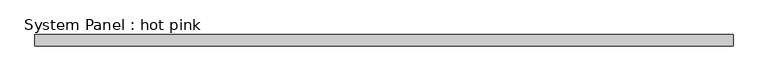
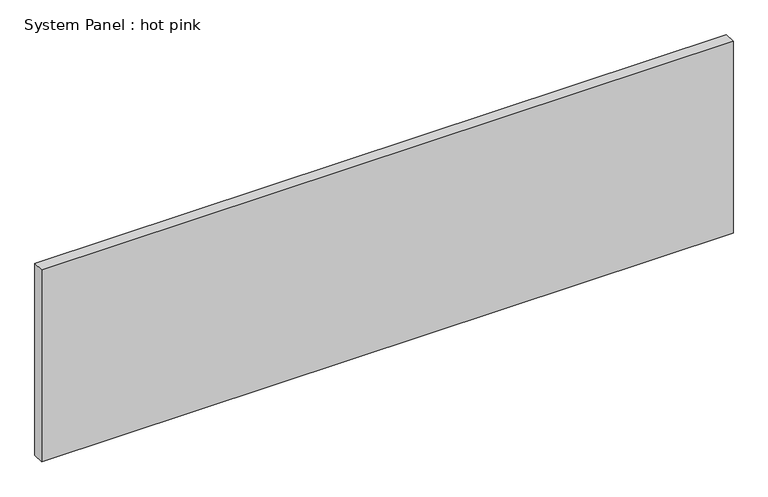
"""IFC4 building model written with IfcOpenShell, lengths in millimetres: plate geometry, System Panel : hot pink."""

import ifcopenshell
import ifcopenshell.guid

model = None  # the IFC model being written
_history = None  # IfcOwnerHistory: only IFC2X3 demands one
_inside = {}  # id of a spatial element -> (the spatial element, [elements in it])
_under = {}  # id of a project, library or spatial element -> (it, [spatial elements below it])
_declared = {}  # id of a project -> (the project, [libraries it declares])
_typed = {}  # id of a type object -> (the type object, [elements of that type])
_made_of = {}  # id of a material, layer set ... -> (it, [elements and type objects made of it])


def new_model(schema):
    """Start an empty IFC model of exactly this schema.

    Asked for "IFC4X3", IfcOpenShell would pick the latest addendum, in which some entities
    have other attributes; the version numbers below select the first issue.
    IFC2X3 requires an IfcOwnerHistory on every rooted entity: one is made here for all.
    """
    global model, _history
    if schema == "IFC4X3":
        model = ifcopenshell.file(schema_version=(4, 3, 0, 0))
    else:
        model = ifcopenshell.file(schema=schema)
    _inside.clear()
    _under.clear()
    _declared.clear()
    _typed.clear()
    _made_of.clear()
    _history = None
    if model.schema == "IFC2X3":
        org = make("IfcOrganization", Name="unknown")
        user = make(
            "IfcPersonAndOrganization",
            ThePerson=make("IfcPerson", FamilyName="unknown"),
            TheOrganization=org,
        )
        app = make(
            "IfcApplication",
            ApplicationDeveloper=org,
            Version="unknown",
            ApplicationFullName="unknown",
            ApplicationIdentifier="unknown",
        )
        _history = make(
            "IfcOwnerHistory",
            OwningUser=user,
            OwningApplication=app,
            ChangeAction="ADDED",
            CreationDate=0,
        )
    return model


def make(cls, **values):
    """One entity of the class cls with the attributes given. An attribute that is None is left unset."""
    return model.create_entity(
        cls, **{name: value for name, value in values.items() if value is not None}
    )


def rooted(cls, **values):
    """An entity with a GlobalId (a new one), such as an element, a storey or a relation."""
    return make(cls, GlobalId=ifcopenshell.guid.new(), OwnerHistory=_history, **values)


def si_unit(unit_type, name, prefix=None):
    """IfcSIUnit, for example si_unit("LENGTHUNIT", "METRE", prefix="MILLI")."""
    return make("IfcSIUnit", UnitType=unit_type, Prefix=prefix, Name=name)


def assignment(units):
    """IfcUnitAssignment: the units of a project."""
    return None if units is None else make("IfcUnitAssignment", Units=units)


def point(xyz):
    """IfcCartesianPoint."""
    return None if xyz is None else make("IfcCartesianPoint", Coordinates=xyz)


def direction(xyz):
    """IfcDirection."""
    return None if xyz is None else make("IfcDirection", DirectionRatios=xyz)


def frame(location, z_axis=None, x_axis=None):
    """IfcAxis2Placement3D, a coordinate frame: its origin and axes. An axis left out is left unset."""
    return make(
        "IfcAxis2Placement3D",
        Location=point(location),
        Axis=direction(z_axis),
        RefDirection=direction(x_axis),
    )


def origin():
    """The frame at (0, 0, 0) with its axes left unset."""
    return frame((0.0, 0.0, 0.0))


def origin_with_axes():
    """The frame at (0, 0, 0) with the z axis (0, 0, 1) and the x axis (1, 0, 0) written out."""
    return frame((0.0, 0.0, 0.0), z_axis=(0.0, 0.0, 1.0), x_axis=(1.0, 0.0, 0.0))


def place(relative_to, where):
    """IfcLocalPlacement: puts the frame where relative to a parent placement (None: the world)."""
    return make(
        "IfcLocalPlacement", PlacementRelTo=relative_to, RelativePlacement=where
    )


def context(
    kind, dimensions, precision=None, world=None, true_north=None, identifier=None
):
    """IfcGeometricRepresentationContext, for example the 3D "Model" context."""
    return make(
        "IfcGeometricRepresentationContext",
        ContextIdentifier=identifier,
        ContextType=kind,
        CoordinateSpaceDimension=dimensions,
        Precision=precision,
        WorldCoordinateSystem=world,
        TrueNorth=true_north,
    )


def project(units=None, contexts=None):
    """IfcProject with its units and contexts."""
    return rooted(
        "IfcProject",
        Name="project",
        RepresentationContexts=contexts,
        UnitsInContext=assignment(units),
    )


def spatial(cls, under=None, at=None, **own):
    """A site, building, storey or space (cls), placed at a placement, below another one or the project."""
    s = rooted(cls, ObjectPlacement=at, **own)
    if under is not None:
        _under.setdefault(under.id(), (under, []))[1].append(s)
    return s


def polyline(points):
    """IfcPolyline through the points."""
    return make("IfcPolyline", Points=[point(p) for p in points])


def outline(outer, holes=None, kind="AREA"):
    """IfcArbitraryClosedProfileDef: a profile drawn as a closed curve; with holes, ...WithVoids."""
    if holes is None:
        return make("IfcArbitraryClosedProfileDef", ProfileType=kind, OuterCurve=outer)
    return make(
        "IfcArbitraryProfileDefWithVoids",
        ProfileType=kind,
        OuterCurve=outer,
        InnerCurves=holes,
    )


def extrude(swept, where, along, depth):
    """IfcExtrudedAreaSolid: the profile swept, set in the frame where, extruded along a direction by depth."""
    return make(
        "IfcExtrudedAreaSolid",
        SweptArea=swept,
        Position=where,
        ExtrudedDirection=direction(along),
        Depth=depth,
    )


def shape(context_of_items, identifier, shape_type, items):
    """IfcShapeRepresentation: the items that make up one representation, for example the "Body"."""
    return make(
        "IfcShapeRepresentation",
        ContextOfItems=context_of_items,
        RepresentationIdentifier=identifier,
        RepresentationType=shape_type,
        Items=items,
    )


def source(mapping_origin, context_of_items, identifier, shape_type, items):
    """IfcRepresentationMap: a shape defined once, which mapped items show again and again."""
    return make(
        "IfcRepresentationMap",
        MappingOrigin=mapping_origin,
        MappedRepresentation=shape(context_of_items, identifier, shape_type, items),
    )


def transform(
    local_origin,
    x_axis=None,
    y_axis=None,
    z_axis=None,
    scale=None,
    scale2=None,
    scale3=None,
    uniform=True,
):
    """IfcCartesianTransformationOperator3D, or its non-uniform kind. x_axis, y_axis, z_axis: its Axis1, 2, 3."""
    if uniform:
        return make(
            "IfcCartesianTransformationOperator3D",
            Axis1=direction(x_axis),
            Axis2=direction(y_axis),
            LocalOrigin=point(local_origin),
            Scale=scale,
            Axis3=direction(z_axis),
        )
    return make(
        "IfcCartesianTransformationOperator3DnonUniform",
        Axis1=direction(x_axis),
        Axis2=direction(y_axis),
        LocalOrigin=point(local_origin),
        Scale=scale,
        Axis3=direction(z_axis),
        Scale2=scale2,
        Scale3=scale3,
    )


def mapped(mapping_source, mapping_target):
    """IfcMappedItem: shows the shape of a source again, moved by a transform."""
    return make(
        "IfcMappedItem", MappingSource=mapping_source, MappingTarget=mapping_target
    )


def made_of(thing, what):
    """Note that an element or type object is made of a material, layer set ...; save() writes the relation."""
    if what is not None:
        _made_of.setdefault(what.id(), (what, []))[1].append(thing)
    return thing


def element(
    cls,
    number,
    at=None,
    inside=None,
    cuts=None,
    type_object=None,
    material=None,
    context=None,
    identifier="Body",
    shape_type=None,
    held_by="IfcProductDefinitionShape",
    body=None,
    shapes=None,
    **own,
):
    """One element of the class cls, such as IfcWall. Its Tag is "e" and its number.

    at: its placement. inside: the storey or other place that contains it. cuts: it is an
    opening in that element (IfcRelVoidsElement). A single representation is given by context,
    identifier, shape_type and body (its items); several are given by shapes. held_by: the class
    of the entity that holds the representations. save() writes the other relations.
    """
    e = rooted(cls, Tag="e%d" % number, ObjectPlacement=at, **own)
    if body is not None:
        shapes = [shape(context, identifier, shape_type, body)]
    if shapes is not None:
        e.Representation = make(held_by, Representations=shapes)
    if inside is not None:
        _inside.setdefault(inside.id(), (inside, []))[1].append(e)
    if cuts is not None:
        rooted(
            "IfcRelVoidsElement", RelatingBuildingElement=cuts, RelatedOpeningElement=e
        )
    if type_object is not None:
        _typed.setdefault(type_object.id(), (type_object, []))[1].append(e)
    return made_of(e, material)


def aggregate(whole, parts):
    """IfcRelAggregates: a whole, such as a stair, and the parts it consists of."""
    return rooted("IfcRelAggregates", RelatingObject=whole, RelatedObjects=parts)


def save(model, path):
    """Write the relations noted so far, then the file.

    IfcRelAggregates (storeys below a building ...), IfcRelContainedInSpatialStructure (elements
    in a storey), IfcRelDefinesByType, IfcRelAssociatesMaterial and IfcRelDeclares: one each for
    every whole, place, type object, material and project.
    """
    for whole, parts in _under.values():
        aggregate(whole, parts)
    for where, things in _inside.values():
        rooted(
            "IfcRelContainedInSpatialStructure",
            RelatedElements=things,
            RelatingStructure=where,
        )
    for kind, things in _typed.values():
        rooted("IfcRelDefinesByType", RelatedObjects=things, RelatingType=kind)
    for what, things in _made_of.values():
        rooted("IfcRelAssociatesMaterial", RelatedObjects=things, RelatingMaterial=what)
    for by, libraries in _declared.values():
        rooted("IfcRelDeclares", RelatingContext=by, RelatedDefinitions=libraries)
    model.write(path)


def system_panel_hot_pink_04fd6f8f(model_context):
    return source(origin(), model_context, "Body", "SweptSolid", [
        extrude(outline(polyline([(1916.956462, -19.05), (-1916.956462, -19.05), (-1916.956462, 44.45), (1916.956462, 44.45), (1916.956462, -19.05)])), origin_with_axes(), (0.0, 0.0, 1.0), 1123.95),
    ])


if __name__ == "__main__":
    model = new_model("IFC4")
    model_context = context("Model", 3, world=origin())
    ifc_project = project(units=[si_unit("LENGTHUNIT", "METRE", prefix="MILLI")], contexts=[model_context])
    site = spatial("IfcSite", under=ifc_project)
    building = spatial("IfcBuilding", under=site)
    placement = place(None, origin())
    system_panel_hot_pink_shape = system_panel_hot_pink_04fd6f8f(model_context)
    element("IfcPlate", 1, ObjectType="System Panel : hot pink", at=placement, inside=building, context=model_context, shape_type="MappedRepresentation", body=[
        mapped(system_panel_hot_pink_shape, transform((0.0, 0.0, 0.0), x_axis=(1.0, 0.0, 0.0), y_axis=(0.0, 1.0, 0.0), z_axis=(0.0, 0.0, 1.0))),
    ])
    save(model, "model.ifc")
